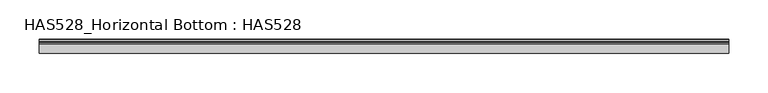
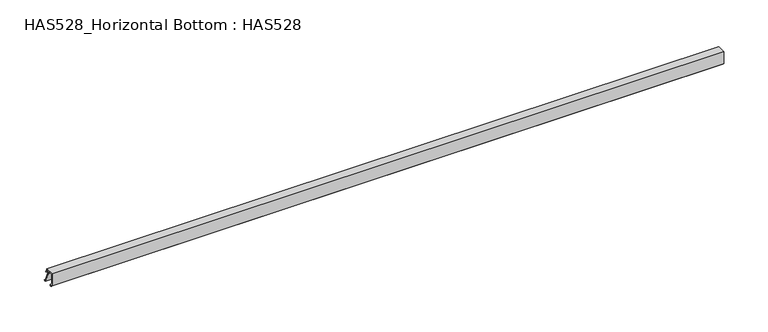
"""IFC4 building model written with IfcOpenShell, lengths in millimetres: beam geometry, HAS528_Horizontal Bottom : HAS528."""

from ifc_helpers import new_model, si_unit, point, frame, frame_2d, origin, place, context, project, spatial, polyline, circle_curve, trimmed, segment, composite_curve, outline, extrude, source, transform, mapped, element, save


def has528_horizontal_bottom_has528_4f587cc5(model_context):
    return source(origin(), model_context, "Body", "SweptSolid", [
        extrude(outline(composite_curve([segment(polyline([(15.4225352, 1.056338), (17.1126761, 1.056338), (18.1690141, 0.0), (14.9813587, 0.0), (8.2394366, 14.7887324), (8.2394366, 16.056338), (9.5070423, 16.6901408), (10.3521127, 16.6901408), (10.3521127, 18.1690141), (1.056338, 18.1690141), (1.056338, 5.4929577), (4.4630282, 2.0862676), (3.5915493, 0.6338028)]), True, "CONTINUOUS"), segment(trimmed(circle_curve(frame_2d((3.1852654, 0.8775731)), 0.4738043), [point((3.5915493, 0.6338028))], [point((2.7464789, 1.056338))], False, "CARTESIAN"), True, "CONTINUOUS"), segment(polyline([(2.7464789, 1.056338), (3.1690141, 1.9014085), (1.6901408, 3.3802817), (0.0, 3.1690141), (0.0, 19.2253521), (11.8309859, 19.2253521), (11.8309859, 16.6901408), (13.3098592, 16.6901408), (13.9290441, 14.6261909)]), True, "CONTINUOUS"), segment(trimmed(circle_curve(frame_2d((13.5345394, 14.5078395)), 0.411875), [point((13.9290441, 14.6261909))], [point((13.3777181, 14.1269877))], False, "CARTESIAN"), True, "CONTINUOUS"), segment(polyline([(13.3777181, 14.1269877), (9.8048781, 15.5981571)]), True, "CONTINUOUS"), segment(trimmed(circle_curve(frame_2d((9.6484855, 15.2183467)), 0.4107488), [point((9.8048781, 15.5981571))], [point((9.272437, 15.0531132))], True, "CARTESIAN"), True, "CONTINUOUS"), segment(polyline([(9.272437, 15.0531132), (15.4225352, 1.056338)]), True, "CONTINUOUS")], self_intersect=False)), frame((-440.4233142, 0.0, 0.0), z_axis=(1.0, 0.0, 0.0), x_axis=(0.0, 1.0, 0.0)), (0.0, 0.0, 1.0), 880.8466284),
    ])


if __name__ == "__main__":
    model = new_model("IFC4")
    model_context = context("Model", 3, world=origin())
    ifc_project = project(units=[si_unit("LENGTHUNIT", "METRE", prefix="MILLI")], contexts=[model_context])
    site = spatial("IfcSite", under=ifc_project)
    building = spatial("IfcBuilding", under=site)
    placement = place(None, origin())
    has528_horizontal_bottom_has528_shape = has528_horizontal_bottom_has528_4f587cc5(model_context)
    element("IfcBeam", 1, ObjectType="HAS528_Horizontal Bottom : HAS528", at=placement, inside=building, context=model_context, shape_type="MappedRepresentation", body=[
        mapped(has528_horizontal_bottom_has528_shape, transform((0.0, 0.0, 0.0), x_axis=(1.0, 0.0, 0.0), y_axis=(0.0, 1.0, 0.0), z_axis=(0.0, 0.0, 1.0))),
    ])
    save(model, "model.ifc")
